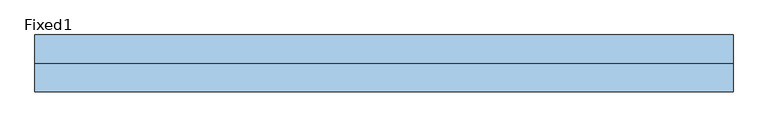
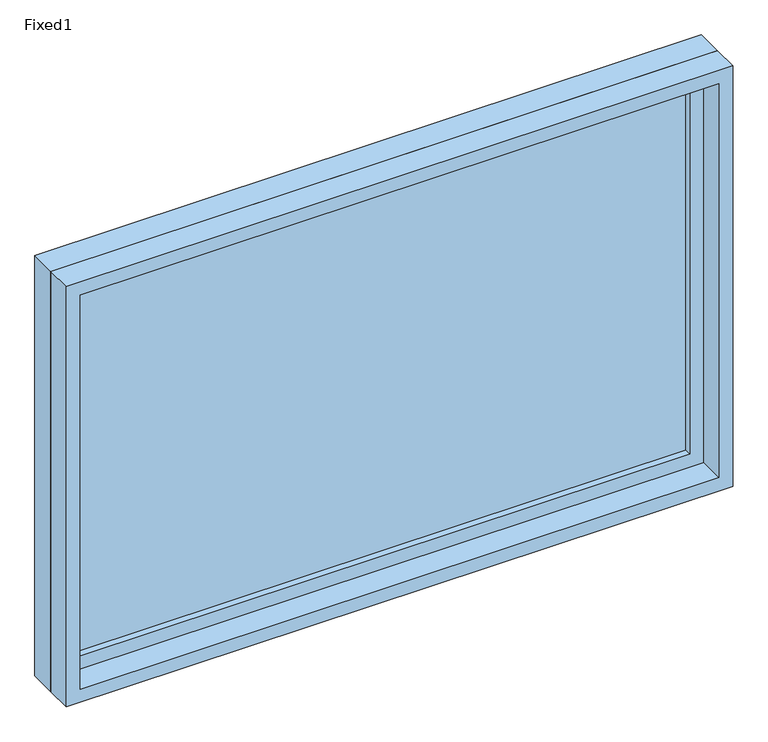
"""IFC4 building model written with IfcOpenShell, lengths in millimetres: window geometry, Fixed1."""

from ifc_helpers import new_model, si_unit, frame, origin, place, context, project, spatial, polyline, outline, extrude, source, transform, mapped, element, save


def fixed1_1f0dee6e(model_context):
    return source(origin(), model_context, "Body", "SweptSolid", [
        extrude(outline(polyline([(660.4, 14.2875), (-736.6, 14.2875), (-736.6, 26.9875), (660.4, 26.9875), (660.4, 14.2875)])), frame((0.0, 0.0, 1130.3), z_axis=(0.0, 0.0, 1.0), x_axis=(1.0, 0.0, 0.0)), (0.0, 0.0, 1.0), 889.0),
        extrude(outline(polyline([(2063.75, -781.05), (1085.85, -781.05), (1085.85, 704.85), (2063.75, 704.85), (2063.75, -781.05)]), holes=[polyline([(2019.3, -736.6), (2019.3, 660.4), (1130.3, 660.4), (1130.3, -736.6), (2019.3, -736.6)])]), frame((0.0, -1.5875, 0.0), z_axis=(0.0, 1.0, 0.0), x_axis=(0.0, 0.0, 1.0)), (0.0, 0.0, 1.0), 44.45),
        extrude(outline(polyline([(2082.8, -800.1), (1066.8, -800.1), (1066.8, 723.9), (2082.8, 723.9), (2082.8, -800.1)]), holes=[polyline([(2051.05, -768.35), (2051.05, 692.15), (1098.55, 692.15), (1098.55, -768.35), (2051.05, -768.35)])]), frame((0.0, -61.9125, 0.0), z_axis=(0.0, 1.0, 0.0), x_axis=(0.0, 0.0, 1.0)), (0.0, 0.0, 1.0), 60.325),
        extrude(outline(polyline([(2082.8, 723.9), (2082.8, -800.1), (1066.8, -800.1), (1066.8, 723.9), (2082.8, 723.9)]), holes=[polyline([(2063.75, 704.85), (1085.85, 704.85), (1085.85, -781.05), (2063.75, -781.05), (2063.75, 704.85)])]), frame((0.0, -1.5875, 0.0), z_axis=(0.0, 1.0, 0.0), x_axis=(0.0, 0.0, 1.0)), (0.0, 0.0, 1.0), 63.5),
    ])


if __name__ == "__main__":
    model = new_model("IFC4")
    model_context = context("Model", 3, world=origin())
    ifc_project = project(units=[si_unit("LENGTHUNIT", "METRE", prefix="MILLI")], contexts=[model_context])
    site = spatial("IfcSite", under=ifc_project)
    building = spatial("IfcBuilding", under=site)
    placement = place(None, origin())
    fixed1_shape = fixed1_1f0dee6e(model_context)
    element("IfcWindow", 1, ObjectType="Fixed1", at=placement, inside=building, context=model_context, shape_type="MappedRepresentation", body=[
        mapped(fixed1_shape, transform((0.0, 0.0, 0.0), x_axis=(1.0, 0.0, 0.0), y_axis=(0.0, 1.0, 0.0), z_axis=(0.0, 0.0, 1.0))),
    ])
    save(model, "model.ifc")
